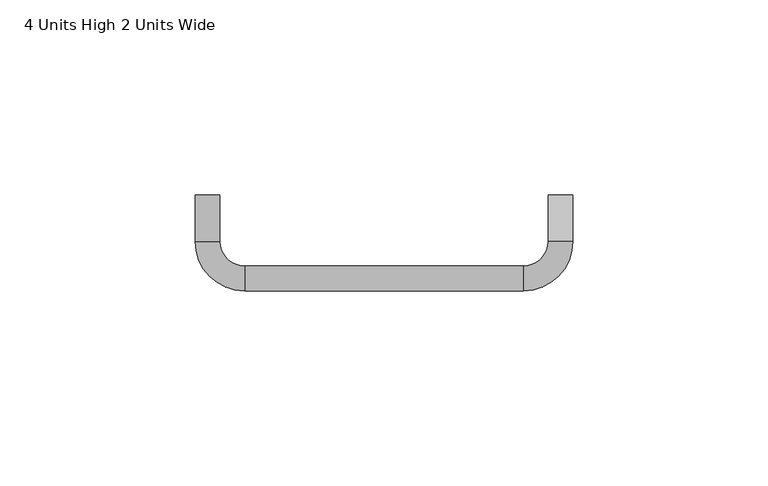
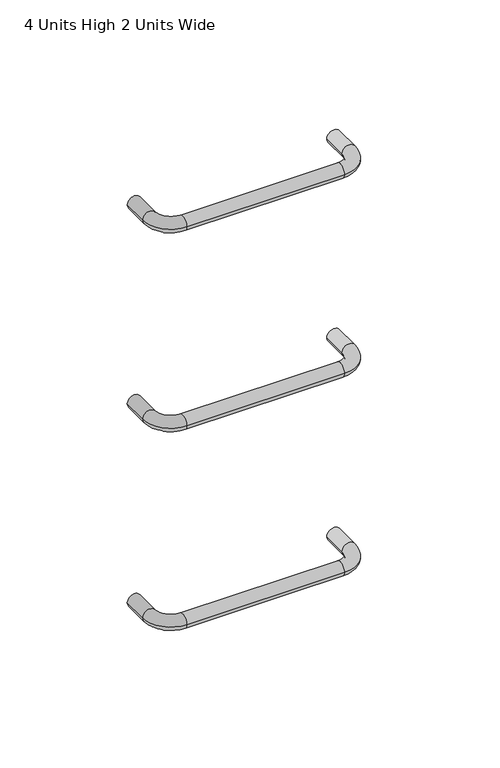
"""IFC4 building model written with IfcOpenShell, lengths in millimetres: furniture geometry, 4 Units High 2 Units Wide."""

from ifc_helpers import new_model, si_unit, point, frame, origin, place, context, project, spatial, circle_curve, ellipse_curve, trimmed, source, transform, mapped, element, save
from ifc_brep_helpers import plane_surface, cylinder_surface, revolved_surface, advanced_brep


def furniture_4_units_high_2_units_wide_16611301(model_context):
    return source(origin(), model_context, "Body", "AdvancedBrep", [
        advanced_brep(
        [(-343.7372776, -199.7432965, 769.9840693), (-337.3873018, -199.7432965, 769.9840693), (-343.7372776, -211.6495465, 769.9840693), (-337.3873018, -211.6495465, 769.9840693), (-331.0372897, -217.9995586, 769.9840693), (-331.0372897, -224.3495344, 769.9840693), (-259.5997897, -224.3495344, 769.9840693), (-259.5997897, -217.9995586, 769.9840693), (-253.2497776, -211.6495465, 769.9840693), (-246.8998018, -211.6495465, 769.9840693), (-246.8998018, -199.7432965, 769.9840693), (-253.2497776, -199.7432965, 769.9840693)],
        [
            (0, 1, circle_curve(frame((-340.5622897, -199.7432965, 769.9840693), z_axis=(0.0, 1.0, 0.0), x_axis=(1.0, 0.0, 0.0)), 3.1749879)),
            (1, 0, circle_curve(frame((-340.5622897, -199.7432965, 769.9840693), z_axis=(0.0, 1.0, 0.0), x_axis=(1.0, 0.0, 0.0)), 3.1749879)),
            (0, 2),
            (2, 3, circle_curve(frame((-340.5622897, -211.6495465, 769.9840693), z_axis=(0.0, 1.0, 0.0), x_axis=(1.0, 0.0, 0.0)), 3.1749879)),
            (3, 1),
            (3, 2, circle_curve(frame((-340.5622897, -211.6495465, 769.9840693), z_axis=(0.0, 1.0, 0.0), x_axis=(1.0, 0.0, 0.0)), 3.1749879)),
            (4, 3, circle_curve(frame((-331.0372897, -211.6495465, 769.9840693), z_axis=(0.0, 0.0, -1.0), x_axis=(-1.0, 0.0, 0.0)), 6.3500121)),
            (2, 5, circle_curve(frame((-331.0372897, -211.6495465, 769.9840693), z_axis=(0.0, 0.0, 1.0), x_axis=(-1.0, 0.0, 0.0)), 12.6999879)),
            (5, 4, circle_curve(frame((-331.0372897, -221.1745465, 769.9840693), z_axis=(-1.0, 0.0, 0.0), x_axis=(0.0, 1.0, 0.0)), 3.1749879)),
            (4, 5, circle_curve(frame((-331.0372897, -221.1745465, 769.9840693), z_axis=(-1.0, 0.0, 0.0), x_axis=(0.0, 1.0, 0.0)), 3.1749879)),
            (5, 6),
            (6, 7, circle_curve(frame((-259.5997897, -221.1745465, 769.9840693), z_axis=(-1.0, 0.0, 0.0), x_axis=(0.0, 1.0, 0.0)), 3.1749879)),
            (7, 4),
            (7, 6, circle_curve(frame((-259.5997897, -221.1745465, 769.9840693), z_axis=(-1.0, 0.0, 0.0), x_axis=(0.0, 1.0, 0.0)), 3.1749879)),
            (8, 7, circle_curve(frame((-259.5997897, -211.6495465, 769.9840693), z_axis=(0.0, 0.0, -1.0), x_axis=(0.0, -1.0, 0.0)), 6.3500121)),
            (6, 9, circle_curve(frame((-259.5997897, -211.6495465, 769.9840693), z_axis=(0.0, 0.0, 1.0), x_axis=(0.0, -1.0, 0.0)), 12.6999879)),
            (9, 8, circle_curve(frame((-250.0747897, -211.6495465, 769.9840693), z_axis=(0.0, -1.0, 0.0), x_axis=(-1.0, 0.0, 0.0)), 3.1749879)),
            (8, 9, circle_curve(frame((-250.0747897, -211.6495465, 769.9840693), z_axis=(0.0, -1.0, 0.0), x_axis=(-1.0, 0.0, 0.0)), 3.1749879)),
            (10, 11, circle_curve(frame((-250.0747897, -199.7432965, 769.9840693), z_axis=(0.0, 1.0, 0.0), x_axis=(-1.0, 0.0, 0.0)), 3.1749879)),
            (11, 10, circle_curve(frame((-250.0747897, -199.7432965, 769.9840693), z_axis=(0.0, 1.0, 0.0), x_axis=(-1.0, 0.0, 0.0)), 3.1749879)),
            (9, 10),
            (11, 8),
        ],
        [
            plane_surface(frame((-340.5622897, -199.7432965, 825.5), z_axis=(0.0, 1.0, 0.0), x_axis=(0.0, 0.0, 1.0))),
            cylinder_surface(frame((-340.5622897, -199.7432965, 769.9840693), z_axis=(0.0, 1.0, 0.0), x_axis=(1.0, 0.0, 0.0)), 3.1749879),
            revolved_surface(trimmed(ellipse_curve(frame((-340.5622897, -211.6495465, 769.9840693), z_axis=(0.0, 1.0, 0.0), x_axis=(1.0, 0.0, 0.0)), 3.1749879, 3.1749879), [point((-343.7372776, -211.6495465, 769.9840693))], [point((-337.3873018, -211.6495465, 769.9840693))], True, "CARTESIAN"), (-331.0372897, -211.6495465, 825.5), (0.0, 0.0, 1.0)),
            revolved_surface(trimmed(ellipse_curve(frame((-340.5622897, -211.6495465, 769.9840693), z_axis=(0.0, 1.0, 0.0), x_axis=(1.0, 0.0, 0.0)), 3.1749879, 3.1749879), [point((-337.3873018, -211.6495465, 769.9840693))], [point((-343.7372776, -211.6495465, 769.9840693))], True, "CARTESIAN"), (-331.0372897, -211.6495465, 825.5), (0.0, 0.0, 1.0)),
            cylinder_surface(frame((-331.0372897, -221.1745465, 769.9840693), z_axis=(-1.0, 0.0, 0.0), x_axis=(0.0, 1.0, 0.0)), 3.1749879),
            revolved_surface(trimmed(ellipse_curve(frame((-259.5997897, -221.1745465, 769.9840693), z_axis=(-1.0, 0.0, 0.0), x_axis=(0.0, 1.0, 0.0)), 3.1749879, 3.1749879), [point((-259.5997897, -224.3495344, 769.9840693))], [point((-259.5997897, -217.9995586, 769.9840693))], True, "CARTESIAN"), (-259.5997897, -211.6495465, 825.5), (0.0, 0.0, 1.0)),
            revolved_surface(trimmed(ellipse_curve(frame((-259.5997897, -221.1745465, 769.9840693), z_axis=(-1.0, 0.0, 0.0), x_axis=(0.0, 1.0, 0.0)), 3.1749879, 3.1749879), [point((-259.5997897, -217.9995586, 769.9840693))], [point((-259.5997897, -224.3495344, 769.9840693))], True, "CARTESIAN"), (-259.5997897, -211.6495465, 825.5), (0.0, 0.0, 1.0)),
            plane_surface(frame((-250.0747897, -199.7432965, 825.5), z_axis=(0.0, 1.0, 0.0), x_axis=(0.0, 0.0, 1.0))),
            cylinder_surface(frame((-250.0747897, -211.6495465, 769.9840693), z_axis=(0.0, -1.0, 0.0), x_axis=(-1.0, 0.0, 0.0)), 3.1749879),
        ],
        [
            (0, [[1, 2]]),
            (1, [[-1, 3, 4, 5]]),
            (1, [[-2, -5, 6, -3]]),
            (2, [[7, -4, 8, 9]]),
            (3, [[-8, -6, -7, 10]]),
            (4, [[-9, 11, 12, 13]]),
            (4, [[-10, -13, 14, -11]]),
            (5, [[15, -12, 16, 17]]),
            (6, [[-16, -14, -15, 18]]),
            (7, [[19, 20]]),
            (8, [[-17, 21, -20, 22]]),
            (8, [[-18, -22, -19, -21]]),
        ],
    ),
        advanced_brep(
        [(-343.7372776, -199.7432965, 674.7340693), (-337.3873018, -199.7432965, 674.7340693), (-343.7372776, -211.6495465, 674.7340693), (-337.3873018, -211.6495465, 674.7340693), (-331.0372897, -217.9995586, 674.7340693), (-331.0372897, -224.3495344, 674.7340693), (-259.5997897, -224.3495344, 674.7340693), (-259.5997897, -217.9995586, 674.7340693), (-253.2497776, -211.6495465, 674.7340693), (-246.8998018, -211.6495465, 674.7340693), (-246.8998018, -199.7432965, 674.7340693), (-253.2497776, -199.7432965, 674.7340693)],
        [
            (0, 1, circle_curve(frame((-340.5622897, -199.7432965, 674.7340693), z_axis=(0.0, 1.0, 0.0), x_axis=(1.0, 0.0, 0.0)), 3.1749879)),
            (1, 0, circle_curve(frame((-340.5622897, -199.7432965, 674.7340693), z_axis=(0.0, 1.0, 0.0), x_axis=(1.0, 0.0, 0.0)), 3.1749879)),
            (0, 2),
            (2, 3, circle_curve(frame((-340.5622897, -211.6495465, 674.7340693), z_axis=(0.0, 1.0, 0.0), x_axis=(1.0, 0.0, 0.0)), 3.1749879)),
            (3, 1),
            (3, 2, circle_curve(frame((-340.5622897, -211.6495465, 674.7340693), z_axis=(0.0, 1.0, 0.0), x_axis=(1.0, 0.0, 0.0)), 3.1749879)),
            (4, 3, circle_curve(frame((-331.0372897, -211.6495465, 674.7340693), z_axis=(0.0, 0.0, -1.0), x_axis=(-1.0, 0.0, 0.0)), 6.3500121)),
            (2, 5, circle_curve(frame((-331.0372897, -211.6495465, 674.7340693), z_axis=(0.0, 0.0, 1.0), x_axis=(-1.0, 0.0, 0.0)), 12.6999879)),
            (5, 4, circle_curve(frame((-331.0372897, -221.1745465, 674.7340693), z_axis=(-1.0, 0.0, 0.0), x_axis=(0.0, 1.0, 0.0)), 3.1749879)),
            (4, 5, circle_curve(frame((-331.0372897, -221.1745465, 674.7340693), z_axis=(-1.0, 0.0, 0.0), x_axis=(0.0, 1.0, 0.0)), 3.1749879)),
            (5, 6),
            (6, 7, circle_curve(frame((-259.5997897, -221.1745465, 674.7340693), z_axis=(-1.0, 0.0, 0.0), x_axis=(0.0, 1.0, 0.0)), 3.1749879)),
            (7, 4),
            (7, 6, circle_curve(frame((-259.5997897, -221.1745465, 674.7340693), z_axis=(-1.0, 0.0, 0.0), x_axis=(0.0, 1.0, 0.0)), 3.1749879)),
            (8, 7, circle_curve(frame((-259.5997897, -211.6495465, 674.7340693), z_axis=(0.0, 0.0, -1.0), x_axis=(0.0, -1.0, 0.0)), 6.3500121)),
            (6, 9, circle_curve(frame((-259.5997897, -211.6495465, 674.7340693), z_axis=(0.0, 0.0, 1.0), x_axis=(0.0, -1.0, 0.0)), 12.6999879)),
            (9, 8, circle_curve(frame((-250.0747897, -211.6495465, 674.7340693), z_axis=(0.0, -1.0, 0.0), x_axis=(-1.0, 0.0, 0.0)), 3.1749879)),
            (8, 9, circle_curve(frame((-250.0747897, -211.6495465, 674.7340693), z_axis=(0.0, -1.0, 0.0), x_axis=(-1.0, 0.0, 0.0)), 3.1749879)),
            (10, 11, circle_curve(frame((-250.0747897, -199.7432965, 674.7340693), z_axis=(0.0, 1.0, 0.0), x_axis=(-1.0, 0.0, 0.0)), 3.1749879)),
            (11, 10, circle_curve(frame((-250.0747897, -199.7432965, 674.7340693), z_axis=(0.0, 1.0, 0.0), x_axis=(-1.0, 0.0, 0.0)), 3.1749879)),
            (9, 10),
            (11, 8),
        ],
        [
            plane_surface(frame((-340.5622897, -199.7432965, 825.5), z_axis=(0.0, 1.0, 0.0), x_axis=(0.0, 0.0, 1.0))),
            cylinder_surface(frame((-340.5622897, -199.7432965, 674.7340693), z_axis=(0.0, 1.0, 0.0), x_axis=(1.0, 0.0, 0.0)), 3.1749879),
            revolved_surface(trimmed(ellipse_curve(frame((-340.5622897, -211.6495465, 674.7340693), z_axis=(0.0, 1.0, 0.0), x_axis=(1.0, 0.0, 0.0)), 3.1749879, 3.1749879), [point((-343.7372776, -211.6495465, 674.7340693))], [point((-337.3873018, -211.6495465, 674.7340693))], True, "CARTESIAN"), (-331.0372897, -211.6495465, 825.5), (0.0, 0.0, 1.0)),
            revolved_surface(trimmed(ellipse_curve(frame((-340.5622897, -211.6495465, 674.7340693), z_axis=(0.0, 1.0, 0.0), x_axis=(1.0, 0.0, 0.0)), 3.1749879, 3.1749879), [point((-337.3873018, -211.6495465, 674.7340693))], [point((-343.7372776, -211.6495465, 674.7340693))], True, "CARTESIAN"), (-331.0372897, -211.6495465, 825.5), (0.0, 0.0, 1.0)),
            cylinder_surface(frame((-331.0372897, -221.1745465, 674.7340693), z_axis=(-1.0, 0.0, 0.0), x_axis=(0.0, 1.0, 0.0)), 3.1749879),
            revolved_surface(trimmed(ellipse_curve(frame((-259.5997897, -221.1745465, 674.7340693), z_axis=(-1.0, 0.0, 0.0), x_axis=(0.0, 1.0, 0.0)), 3.1749879, 3.1749879), [point((-259.5997897, -224.3495344, 674.7340693))], [point((-259.5997897, -217.9995586, 674.7340693))], True, "CARTESIAN"), (-259.5997897, -211.6495465, 825.5), (0.0, 0.0, 1.0)),
            revolved_surface(trimmed(ellipse_curve(frame((-259.5997897, -221.1745465, 674.7340693), z_axis=(-1.0, 0.0, 0.0), x_axis=(0.0, 1.0, 0.0)), 3.1749879, 3.1749879), [point((-259.5997897, -217.9995586, 674.7340693))], [point((-259.5997897, -224.3495344, 674.7340693))], True, "CARTESIAN"), (-259.5997897, -211.6495465, 825.5), (0.0, 0.0, 1.0)),
            plane_surface(frame((-250.0747897, -199.7432965, 825.5), z_axis=(0.0, 1.0, 0.0), x_axis=(0.0, 0.0, 1.0))),
            cylinder_surface(frame((-250.0747897, -211.6495465, 674.7340693), z_axis=(0.0, -1.0, 0.0), x_axis=(-1.0, 0.0, 0.0)), 3.1749879),
        ],
        [
            (0, [[1, 2]]),
            (1, [[-1, 3, 4, 5]]),
            (1, [[-2, -5, 6, -3]]),
            (2, [[7, -4, 8, 9]]),
            (3, [[-8, -6, -7, 10]]),
            (4, [[-9, 11, 12, 13]]),
            (4, [[-10, -13, 14, -11]]),
            (5, [[15, -12, 16, 17]]),
            (6, [[-16, -14, -15, 18]]),
            (7, [[19, 20]]),
            (8, [[-17, 21, -20, 22]]),
            (8, [[-18, -22, -19, -21]]),
        ],
    ),
        advanced_brep(
        [(-343.7372776, -199.7432965, 579.4841057), (-337.3873018, -199.7432965, 579.4841057), (-343.7372776, -211.6495465, 579.4841057), (-337.3873018, -211.6495465, 579.4841057), (-331.0372897, -217.9995586, 579.4841057), (-331.0372897, -224.3495344, 579.4841057), (-259.5997897, -224.3495344, 579.4841057), (-259.5997897, -217.9995586, 579.4841057), (-253.2497776, -211.6495465, 579.4841057), (-246.8998018, -211.6495465, 579.4841057), (-246.8998018, -199.7432965, 579.4841057), (-253.2497776, -199.7432965, 579.4841057)],
        [
            (0, 1, circle_curve(frame((-340.5622897, -199.7432965, 579.4841057), z_axis=(0.0, 1.0, 0.0), x_axis=(1.0, 0.0, 0.0)), 3.1749879)),
            (1, 0, circle_curve(frame((-340.5622897, -199.7432965, 579.4841057), z_axis=(0.0, 1.0, 0.0), x_axis=(1.0, 0.0, 0.0)), 3.1749879)),
            (0, 2),
            (2, 3, circle_curve(frame((-340.5622897, -211.6495465, 579.4841057), z_axis=(0.0, 1.0, 0.0), x_axis=(1.0, 0.0, 0.0)), 3.1749879)),
            (3, 1),
            (3, 2, circle_curve(frame((-340.5622897, -211.6495465, 579.4841057), z_axis=(0.0, 1.0, 0.0), x_axis=(1.0, 0.0, 0.0)), 3.1749879)),
            (4, 3, circle_curve(frame((-331.0372897, -211.6495465, 579.4841057), z_axis=(0.0, 0.0, -1.0), x_axis=(-1.0, 0.0, 0.0)), 6.3500121)),
            (2, 5, circle_curve(frame((-331.0372897, -211.6495465, 579.4841057), z_axis=(0.0, 0.0, 1.0), x_axis=(-1.0, 0.0, 0.0)), 12.6999879)),
            (5, 4, circle_curve(frame((-331.0372897, -221.1745465, 579.4841057), z_axis=(-1.0, 0.0, 0.0), x_axis=(0.0, 1.0, 0.0)), 3.1749879)),
            (4, 5, circle_curve(frame((-331.0372897, -221.1745465, 579.4841057), z_axis=(-1.0, 0.0, 0.0), x_axis=(0.0, 1.0, 0.0)), 3.1749879)),
            (5, 6),
            (6, 7, circle_curve(frame((-259.5997897, -221.1745465, 579.4841057), z_axis=(-1.0, 0.0, 0.0), x_axis=(0.0, 1.0, 0.0)), 3.1749879)),
            (7, 4),
            (7, 6, circle_curve(frame((-259.5997897, -221.1745465, 579.4841057), z_axis=(-1.0, 0.0, 0.0), x_axis=(0.0, 1.0, 0.0)), 3.1749879)),
            (8, 7, circle_curve(frame((-259.5997897, -211.6495465, 579.4841057), z_axis=(0.0, 0.0, -1.0), x_axis=(0.0, -1.0, 0.0)), 6.3500121)),
            (6, 9, circle_curve(frame((-259.5997897, -211.6495465, 579.4841057), z_axis=(0.0, 0.0, 1.0), x_axis=(0.0, -1.0, 0.0)), 12.6999879)),
            (9, 8, circle_curve(frame((-250.0747897, -211.6495465, 579.4841057), z_axis=(0.0, -1.0, 0.0), x_axis=(-1.0, 0.0, 0.0)), 3.1749879)),
            (8, 9, circle_curve(frame((-250.0747897, -211.6495465, 579.4841057), z_axis=(0.0, -1.0, 0.0), x_axis=(-1.0, 0.0, 0.0)), 3.1749879)),
            (10, 11, circle_curve(frame((-250.0747897, -199.7432965, 579.4841057), z_axis=(0.0, 1.0, 0.0), x_axis=(-1.0, 0.0, 0.0)), 3.1749879)),
            (11, 10, circle_curve(frame((-250.0747897, -199.7432965, 579.4841057), z_axis=(0.0, 1.0, 0.0), x_axis=(-1.0, 0.0, 0.0)), 3.1749879)),
            (9, 10),
            (11, 8),
        ],
        [
            plane_surface(frame((-340.5622897, -199.7432965, 825.5), z_axis=(0.0, 1.0, 0.0), x_axis=(0.0, 0.0, 1.0))),
            cylinder_surface(frame((-340.5622897, -199.7432965, 579.4841057), z_axis=(0.0, 1.0, 0.0), x_axis=(1.0, 0.0, 0.0)), 3.1749879),
            revolved_surface(trimmed(ellipse_curve(frame((-340.5622897, -211.6495465, 579.4841057), z_axis=(0.0, 1.0, 0.0), x_axis=(1.0, 0.0, 0.0)), 3.1749879, 3.1749879), [point((-343.7372776, -211.6495465, 579.4841057))], [point((-337.3873018, -211.6495465, 579.4841057))], True, "CARTESIAN"), (-331.0372897, -211.6495465, 825.5), (0.0, 0.0, 1.0)),
            revolved_surface(trimmed(ellipse_curve(frame((-340.5622897, -211.6495465, 579.4841057), z_axis=(0.0, 1.0, 0.0), x_axis=(1.0, 0.0, 0.0)), 3.1749879, 3.1749879), [point((-337.3873018, -211.6495465, 579.4841057))], [point((-343.7372776, -211.6495465, 579.4841057))], True, "CARTESIAN"), (-331.0372897, -211.6495465, 825.5), (0.0, 0.0, 1.0)),
            cylinder_surface(frame((-331.0372897, -221.1745465, 579.4841057), z_axis=(-1.0, 0.0, 0.0), x_axis=(0.0, 1.0, 0.0)), 3.1749879),
            revolved_surface(trimmed(ellipse_curve(frame((-259.5997897, -221.1745465, 579.4841057), z_axis=(-1.0, 0.0, 0.0), x_axis=(0.0, 1.0, 0.0)), 3.1749879, 3.1749879), [point((-259.5997897, -224.3495344, 579.4841057))], [point((-259.5997897, -217.9995586, 579.4841057))], True, "CARTESIAN"), (-259.5997897, -211.6495465, 825.5), (0.0, 0.0, 1.0)),
            revolved_surface(trimmed(ellipse_curve(frame((-259.5997897, -221.1745465, 579.4841057), z_axis=(-1.0, 0.0, 0.0), x_axis=(0.0, 1.0, 0.0)), 3.1749879, 3.1749879), [point((-259.5997897, -217.9995586, 579.4841057))], [point((-259.5997897, -224.3495344, 579.4841057))], True, "CARTESIAN"), (-259.5997897, -211.6495465, 825.5), (0.0, 0.0, 1.0)),
            plane_surface(frame((-250.0747897, -199.7432965, 825.5), z_axis=(0.0, 1.0, 0.0), x_axis=(0.0, 0.0, 1.0))),
            cylinder_surface(frame((-250.0747897, -211.6495465, 579.4841057), z_axis=(0.0, -1.0, 0.0), x_axis=(-1.0, 0.0, 0.0)), 3.1749879),
        ],
        [
            (0, [[1, 2]]),
            (1, [[-1, 3, 4, 5]]),
            (1, [[-2, -5, 6, -3]]),
            (2, [[7, -4, 8, 9]]),
            (3, [[-8, -6, -7, 10]]),
            (4, [[-9, 11, 12, 13]]),
            (4, [[-10, -13, 14, -11]]),
            (5, [[15, -12, 16, 17]]),
            (6, [[-16, -14, -15, 18]]),
            (7, [[19, 20]]),
            (8, [[-17, 21, -20, 22]]),
            (8, [[-18, -22, -19, -21]]),
        ],
    ),
    ])


if __name__ == "__main__":
    model = new_model("IFC4")
    model_context = context("Model", 3, world=origin())
    ifc_project = project(units=[si_unit("LENGTHUNIT", "METRE", prefix="MILLI")], contexts=[model_context])
    site = spatial("IfcSite", under=ifc_project)
    building = spatial("IfcBuilding", under=site)
    placement = place(None, origin())
    furniture_4_units_high_2_units_wide_shape = furniture_4_units_high_2_units_wide_16611301(model_context)
    element("IfcFurniture", 1, ObjectType="4 Units High 2 Units Wide", at=placement, inside=building, context=model_context, shape_type="MappedRepresentation", body=[
        mapped(furniture_4_units_high_2_units_wide_shape, transform((0.0, 0.0, 0.0), x_axis=(1.0, 0.0, 0.0), y_axis=(0.0, 1.0, 0.0), z_axis=(0.0, 0.0, 1.0))),
    ])
    save(model, "model.ifc")
